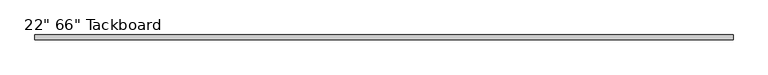
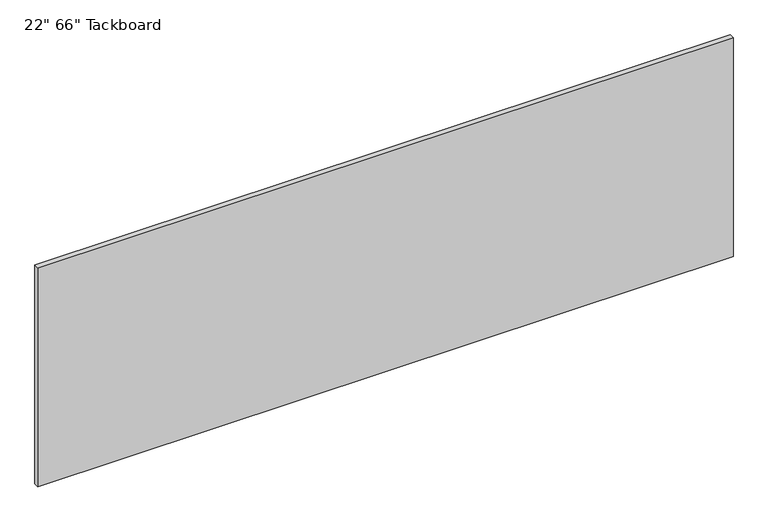
"""IFC4 building model written with IfcOpenShell, lengths in millimetres: furniture geometry."""

import ifcopenshell
import ifcopenshell.guid

model = None  # the IFC model being written
_history = None  # IfcOwnerHistory: only IFC2X3 demands one
_inside = {}  # id of a spatial element -> (the spatial element, [elements in it])
_under = {}  # id of a project, library or spatial element -> (it, [spatial elements below it])
_declared = {}  # id of a project -> (the project, [libraries it declares])
_typed = {}  # id of a type object -> (the type object, [elements of that type])
_made_of = {}  # id of a material, layer set ... -> (it, [elements and type objects made of it])


def new_model(schema):
    """Start an empty IFC model of exactly this schema.

    Asked for "IFC4X3", IfcOpenShell would pick the latest addendum, in which some entities
    have other attributes; the version numbers below select the first issue.
    IFC2X3 requires an IfcOwnerHistory on every rooted entity: one is made here for all.
    """
    global model, _history
    if schema == "IFC4X3":
        model = ifcopenshell.file(schema_version=(4, 3, 0, 0))
    else:
        model = ifcopenshell.file(schema=schema)
    _inside.clear()
    _under.clear()
    _declared.clear()
    _typed.clear()
    _made_of.clear()
    _history = None
    if model.schema == "IFC2X3":
        org = make("IfcOrganization", Name="unknown")
        user = make(
            "IfcPersonAndOrganization",
            ThePerson=make("IfcPerson", FamilyName="unknown"),
            TheOrganization=org,
        )
        app = make(
            "IfcApplication",
            ApplicationDeveloper=org,
            Version="unknown",
            ApplicationFullName="unknown",
            ApplicationIdentifier="unknown",
        )
        _history = make(
            "IfcOwnerHistory",
            OwningUser=user,
            OwningApplication=app,
            ChangeAction="ADDED",
            CreationDate=0,
        )
    return model


def make(cls, **values):
    """One entity of the class cls with the attributes given. An attribute that is None is left unset."""
    return model.create_entity(
        cls, **{name: value for name, value in values.items() if value is not None}
    )


def rooted(cls, **values):
    """An entity with a GlobalId (a new one), such as an element, a storey or a relation."""
    return make(cls, GlobalId=ifcopenshell.guid.new(), OwnerHistory=_history, **values)


def si_unit(unit_type, name, prefix=None):
    """IfcSIUnit, for example si_unit("LENGTHUNIT", "METRE", prefix="MILLI")."""
    return make("IfcSIUnit", UnitType=unit_type, Prefix=prefix, Name=name)


def assignment(units):
    """IfcUnitAssignment: the units of a project."""
    return None if units is None else make("IfcUnitAssignment", Units=units)


def point(xyz):
    """IfcCartesianPoint."""
    return None if xyz is None else make("IfcCartesianPoint", Coordinates=xyz)


def direction(xyz):
    """IfcDirection."""
    return None if xyz is None else make("IfcDirection", DirectionRatios=xyz)


def frame(location, z_axis=None, x_axis=None):
    """IfcAxis2Placement3D, a coordinate frame: its origin and axes. An axis left out is left unset."""
    return make(
        "IfcAxis2Placement3D",
        Location=point(location),
        Axis=direction(z_axis),
        RefDirection=direction(x_axis),
    )


def origin():
    """The frame at (0, 0, 0) with its axes left unset."""
    return frame((0.0, 0.0, 0.0))


def place(relative_to, where):
    """IfcLocalPlacement: puts the frame where relative to a parent placement (None: the world)."""
    return make(
        "IfcLocalPlacement", PlacementRelTo=relative_to, RelativePlacement=where
    )


def context(
    kind, dimensions, precision=None, world=None, true_north=None, identifier=None
):
    """IfcGeometricRepresentationContext, for example the 3D "Model" context."""
    return make(
        "IfcGeometricRepresentationContext",
        ContextIdentifier=identifier,
        ContextType=kind,
        CoordinateSpaceDimension=dimensions,
        Precision=precision,
        WorldCoordinateSystem=world,
        TrueNorth=true_north,
    )


def project(units=None, contexts=None):
    """IfcProject with its units and contexts."""
    return rooted(
        "IfcProject",
        Name="project",
        RepresentationContexts=contexts,
        UnitsInContext=assignment(units),
    )


def spatial(cls, under=None, at=None, **own):
    """A site, building, storey or space (cls), placed at a placement, below another one or the project."""
    s = rooted(cls, ObjectPlacement=at, **own)
    if under is not None:
        _under.setdefault(under.id(), (under, []))[1].append(s)
    return s


def polyline(points):
    """IfcPolyline through the points."""
    return make("IfcPolyline", Points=[point(p) for p in points])


def outline(outer, holes=None, kind="AREA"):
    """IfcArbitraryClosedProfileDef: a profile drawn as a closed curve; with holes, ...WithVoids."""
    if holes is None:
        return make("IfcArbitraryClosedProfileDef", ProfileType=kind, OuterCurve=outer)
    return make(
        "IfcArbitraryProfileDefWithVoids",
        ProfileType=kind,
        OuterCurve=outer,
        InnerCurves=holes,
    )


def extrude(swept, where, along, depth):
    """IfcExtrudedAreaSolid: the profile swept, set in the frame where, extruded along a direction by depth."""
    return make(
        "IfcExtrudedAreaSolid",
        SweptArea=swept,
        Position=where,
        ExtrudedDirection=direction(along),
        Depth=depth,
    )


def shape(context_of_items, identifier, shape_type, items):
    """IfcShapeRepresentation: the items that make up one representation, for example the "Body"."""
    return make(
        "IfcShapeRepresentation",
        ContextOfItems=context_of_items,
        RepresentationIdentifier=identifier,
        RepresentationType=shape_type,
        Items=items,
    )


def source(mapping_origin, context_of_items, identifier, shape_type, items):
    """IfcRepresentationMap: a shape defined once, which mapped items show again and again."""
    return make(
        "IfcRepresentationMap",
        MappingOrigin=mapping_origin,
        MappedRepresentation=shape(context_of_items, identifier, shape_type, items),
    )


def transform(
    local_origin,
    x_axis=None,
    y_axis=None,
    z_axis=None,
    scale=None,
    scale2=None,
    scale3=None,
    uniform=True,
):
    """IfcCartesianTransformationOperator3D, or its non-uniform kind. x_axis, y_axis, z_axis: its Axis1, 2, 3."""
    if uniform:
        return make(
            "IfcCartesianTransformationOperator3D",
            Axis1=direction(x_axis),
            Axis2=direction(y_axis),
            LocalOrigin=point(local_origin),
            Scale=scale,
            Axis3=direction(z_axis),
        )
    return make(
        "IfcCartesianTransformationOperator3DnonUniform",
        Axis1=direction(x_axis),
        Axis2=direction(y_axis),
        LocalOrigin=point(local_origin),
        Scale=scale,
        Axis3=direction(z_axis),
        Scale2=scale2,
        Scale3=scale3,
    )


def mapped(mapping_source, mapping_target):
    """IfcMappedItem: shows the shape of a source again, moved by a transform."""
    return make(
        "IfcMappedItem", MappingSource=mapping_source, MappingTarget=mapping_target
    )


def made_of(thing, what):
    """Note that an element or type object is made of a material, layer set ...; save() writes the relation."""
    if what is not None:
        _made_of.setdefault(what.id(), (what, []))[1].append(thing)
    return thing


def element(
    cls,
    number,
    at=None,
    inside=None,
    cuts=None,
    type_object=None,
    material=None,
    context=None,
    identifier="Body",
    shape_type=None,
    held_by="IfcProductDefinitionShape",
    body=None,
    shapes=None,
    **own,
):
    """One element of the class cls, such as IfcWall. Its Tag is "e" and its number.

    at: its placement. inside: the storey or other place that contains it. cuts: it is an
    opening in that element (IfcRelVoidsElement). A single representation is given by context,
    identifier, shape_type and body (its items); several are given by shapes. held_by: the class
    of the entity that holds the representations. save() writes the other relations.
    """
    e = rooted(cls, Tag="e%d" % number, ObjectPlacement=at, **own)
    if body is not None:
        shapes = [shape(context, identifier, shape_type, body)]
    if shapes is not None:
        e.Representation = make(held_by, Representations=shapes)
    if inside is not None:
        _inside.setdefault(inside.id(), (inside, []))[1].append(e)
    if cuts is not None:
        rooted(
            "IfcRelVoidsElement", RelatingBuildingElement=cuts, RelatedOpeningElement=e
        )
    if type_object is not None:
        _typed.setdefault(type_object.id(), (type_object, []))[1].append(e)
    return made_of(e, material)


def aggregate(whole, parts):
    """IfcRelAggregates: a whole, such as a stair, and the parts it consists of."""
    return rooted("IfcRelAggregates", RelatingObject=whole, RelatedObjects=parts)


def save(model, path):
    """Write the relations noted so far, then the file.

    IfcRelAggregates (storeys below a building ...), IfcRelContainedInSpatialStructure (elements
    in a storey), IfcRelDefinesByType, IfcRelAssociatesMaterial and IfcRelDeclares: one each for
    every whole, place, type object, material and project.
    """
    for whole, parts in _under.values():
        aggregate(whole, parts)
    for where, things in _inside.values():
        rooted(
            "IfcRelContainedInSpatialStructure",
            RelatedElements=things,
            RelatingStructure=where,
        )
    for kind, things in _typed.values():
        rooted("IfcRelDefinesByType", RelatedObjects=things, RelatingType=kind)
    for what, things in _made_of.values():
        rooted("IfcRelAssociatesMaterial", RelatedObjects=things, RelatingMaterial=what)
    for by, libraries in _declared.values():
        rooted("IfcRelDeclares", RelatingContext=by, RelatedDefinitions=libraries)
    model.write(path)


def furniture_e153c32a(model_context):
    return source(origin(), model_context, "Body", "SweptSolid", [
        extrude(outline(polyline([(1003.3, 0.0), (1003.3, -11.90625), (-673.1, -11.90625), (-673.1, 0.0), (1003.3, 0.0)])), frame((0.0, 0.0, 762.0), z_axis=(0.0, 0.0, 1.0), x_axis=(1.0, 0.0, 0.0)), (0.0, 0.0, 1.0), 558.8),
    ])


if __name__ == "__main__":
    model = new_model("IFC4")
    model_context = context("Model", 3, world=origin())
    ifc_project = project(units=[si_unit("LENGTHUNIT", "METRE", prefix="MILLI")], contexts=[model_context])
    site = spatial("IfcSite", under=ifc_project)
    building = spatial("IfcBuilding", under=site)
    placement = place(None, origin())
    furniture_shape = furniture_e153c32a(model_context)
    element("IfcFurniture", 1, ObjectType="22\" 66\" Tackboard", at=placement, inside=building, context=model_context, shape_type="MappedRepresentation", body=[
        mapped(furniture_shape, transform((0.0, 0.0, 0.0), x_axis=(1.0, 0.0, 0.0), y_axis=(0.0, 1.0, 0.0), z_axis=(0.0, 0.0, 1.0))),
    ])
    save(model, "model.ifc")
